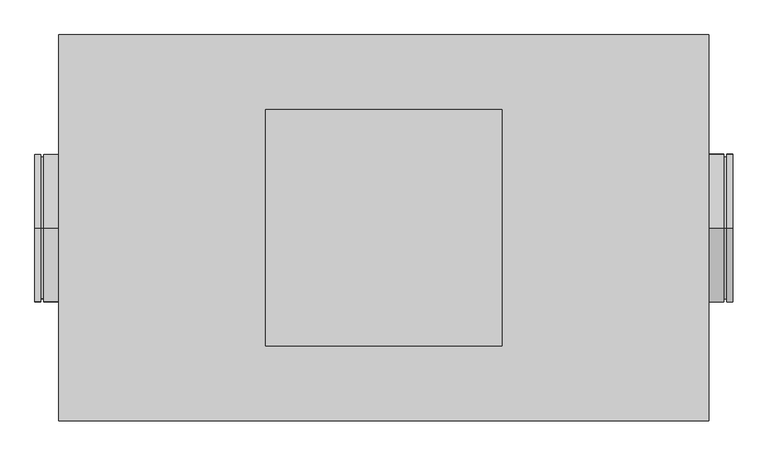
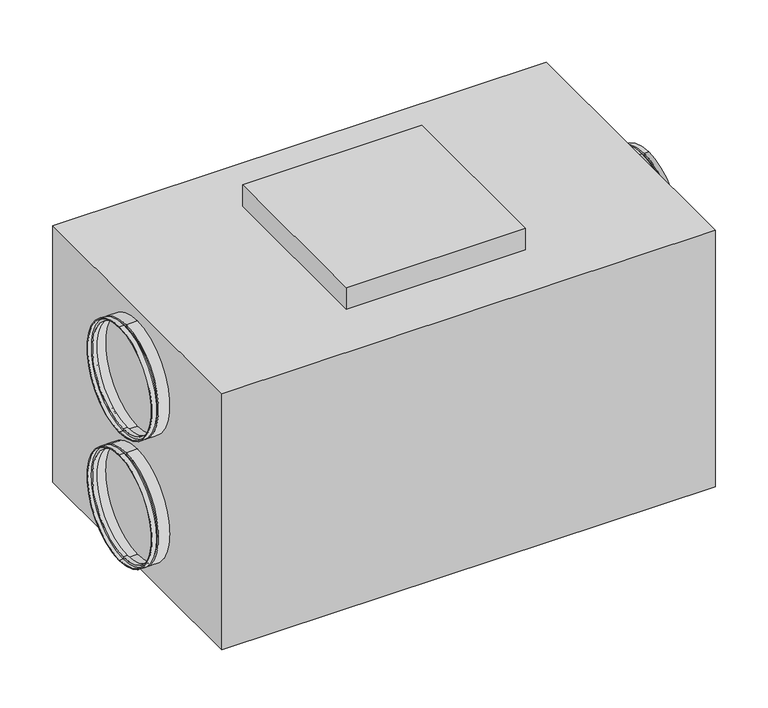
"""IFC4 building model written with IfcOpenShell, lengths in millimetres: proxy geometry."""

from ifc_helpers import new_model, si_unit, frame, origin, place, context, project, spatial, polyline, circle_curve, outline, extrude, source, transform, mapped, element, save
from ifc_brep_helpers import plane_surface, cylinder_surface, revolved_surface, advanced_brep


def mechanical_equipment_8fbb1ea7(model_context):
    return source(origin(), model_context, "Body", "SolidModel", [
        extrude(outline(polyline([(200.0, 200.0), (200.0, -200.0), (-200.0, -200.0), (-200.0, 200.0), (200.0, 200.0)])), frame((0.0, 0.0, 644.0), z_axis=(0.0, 0.0, 1.0), x_axis=(1.0, 0.0, 0.0)), (0.0, 0.0, 1.0), 51.0),
        advanced_brep(
        [(580.0, 0.0, 66.0), (580.0, 0.0, 316.0), (590.0, 0.0, 316.0), (590.0, 0.0, 66.0), (580.0, 0.0, 71.0), (580.0, 0.0, 311.0), (575.0, 0.0, 71.0), (575.0, 0.0, 311.0), (575.0, 0.0, 66.0), (575.0, 0.0, 316.0), (550.0, 0.0, 66.0), (550.0, 0.0, 316.0), (550.0, 0.0, 68.0), (550.0, 0.0, 314.0), (573.0, 0.0, 68.0), (573.0, 0.0, 314.0), (573.0, 0.0, 73.0), (573.0, 0.0, 309.0), (582.0, 0.0, 73.0), (582.0, 0.0, 309.0), (582.0, 0.0, 68.0), (582.0, 0.0, 314.0), (590.0, 0.0, 68.0), (590.0, 0.0, 314.0)],
        [
            (0, 1, circle_curve(frame((580.0, 0.0, 191.0), z_axis=(1.0, 0.0, 0.0), x_axis=(0.0, 0.0, 1.0)), 125.0)),
            (1, 2),
            (2, 3, circle_curve(frame((590.0, 0.0, 191.0), z_axis=(-1.0, 0.0, 0.0), x_axis=(0.0, 0.0, 1.0)), 125.0)),
            (3, 0),
            (1, 0, circle_curve(frame((580.0, 0.0, 191.0), z_axis=(1.0, 0.0, 0.0), x_axis=(0.0, 0.0, 1.0)), 125.0)),
            (3, 2, circle_curve(frame((590.0, 0.0, 191.0), z_axis=(-1.0, 0.0, 0.0), x_axis=(0.0, 0.0, 1.0)), 125.0)),
            (4, 5, circle_curve(frame((580.0, 0.0, 191.0), z_axis=(1.0, 0.0, 0.0), x_axis=(0.0, 0.0, 1.0)), 120.0)),
            (5, 1),
            (0, 4),
            (5, 4, circle_curve(frame((580.0, 0.0, 191.0), z_axis=(1.0, 0.0, 0.0), x_axis=(0.0, 0.0, 1.0)), 120.0)),
            (6, 7, circle_curve(frame((575.0, 0.0, 191.0), z_axis=(1.0, 0.0, 0.0), x_axis=(0.0, 0.0, 1.0)), 120.0)),
            (7, 5),
            (4, 6),
            (7, 6, circle_curve(frame((575.0, 0.0, 191.0), z_axis=(1.0, 0.0, 0.0), x_axis=(0.0, 0.0, 1.0)), 120.0)),
            (8, 9, circle_curve(frame((575.0, 0.0, 191.0), z_axis=(1.0, 0.0, 0.0), x_axis=(0.0, 0.0, 1.0)), 125.0)),
            (9, 7),
            (6, 8),
            (9, 8, circle_curve(frame((575.0, 0.0, 191.0), z_axis=(1.0, 0.0, 0.0), x_axis=(0.0, 0.0, 1.0)), 125.0)),
            (10, 11, circle_curve(frame((550.0, 0.0, 191.0), z_axis=(1.0, 0.0, 0.0), x_axis=(0.0, 0.0, 1.0)), 125.0)),
            (11, 9),
            (8, 10),
            (11, 10, circle_curve(frame((550.0, 0.0, 191.0), z_axis=(1.0, 0.0, 0.0), x_axis=(0.0, 0.0, 1.0)), 125.0)),
            (12, 13, circle_curve(frame((550.0, 0.0, 191.0), z_axis=(1.0, 0.0, 0.0), x_axis=(0.0, 0.0, 1.0)), 123.0)),
            (13, 11),
            (10, 12),
            (13, 12, circle_curve(frame((550.0, 0.0, 191.0), z_axis=(1.0, 0.0, 0.0), x_axis=(0.0, 0.0, 1.0)), 123.0)),
            (14, 15, circle_curve(frame((573.0, 0.0, 191.0), z_axis=(1.0, 0.0, 0.0), x_axis=(0.0, 0.0, 1.0)), 123.0)),
            (15, 13),
            (12, 14),
            (15, 14, circle_curve(frame((573.0, 0.0, 191.0), z_axis=(1.0, 0.0, 0.0), x_axis=(0.0, 0.0, 1.0)), 123.0)),
            (16, 17, circle_curve(frame((573.0, 0.0, 191.0), z_axis=(1.0, 0.0, 0.0), x_axis=(0.0, 0.0, 1.0)), 118.0)),
            (17, 15),
            (14, 16),
            (17, 16, circle_curve(frame((573.0, 0.0, 191.0), z_axis=(1.0, 0.0, 0.0), x_axis=(0.0, 0.0, 1.0)), 118.0)),
            (18, 19, circle_curve(frame((582.0, 0.0, 191.0), z_axis=(1.0, 0.0, 0.0), x_axis=(0.0, 0.0, 1.0)), 118.0)),
            (19, 17),
            (16, 18),
            (19, 18, circle_curve(frame((582.0, 0.0, 191.0), z_axis=(1.0, 0.0, 0.0), x_axis=(0.0, 0.0, 1.0)), 118.0)),
            (20, 21, circle_curve(frame((582.0, 0.0, 191.0), z_axis=(1.0, 0.0, 0.0), x_axis=(0.0, 0.0, 1.0)), 123.0)),
            (21, 19),
            (18, 20),
            (21, 20, circle_curve(frame((582.0, 0.0, 191.0), z_axis=(1.0, 0.0, 0.0), x_axis=(0.0, 0.0, 1.0)), 123.0)),
            (22, 23, circle_curve(frame((590.0, 0.0, 191.0), z_axis=(1.0, 0.0, 0.0), x_axis=(0.0, 0.0, 1.0)), 123.0)),
            (23, 21),
            (20, 22),
            (23, 22, circle_curve(frame((590.0, 0.0, 191.0), z_axis=(1.0, 0.0, 0.0), x_axis=(0.0, 0.0, 1.0)), 123.0)),
            (2, 23),
            (22, 3),
        ],
        [
            cylinder_surface(frame((2125.0440172, 0.0, 191.0), z_axis=(-1.0, 0.0, 0.0), x_axis=(0.0, 0.0, 1.0)), 125.0),
            plane_surface(frame((580.0, 0.0, 191.0), z_axis=(-1.0, 0.0, 0.0), x_axis=(0.0, 0.0, 1.0))),
            cylinder_surface(frame((2125.0440172, 0.0, 191.0), z_axis=(-1.0, 0.0, 0.0), x_axis=(0.0, 0.0, 1.0)), 120.0),
            plane_surface(frame((575.0, 0.0, 191.0), z_axis=(1.0, 0.0, 0.0), x_axis=(0.0, 0.0, 1.0))),
            plane_surface(frame((550.0, 0.0, 191.0), z_axis=(-1.0, 0.0, 0.0), x_axis=(0.0, 0.0, 1.0))),
            revolved_surface(polyline([(550.0, 0.0, 314.0), (573.0, 0.0, 314.0)]), (2125.0440172, 0.0, 191.0), (-1.0, 0.0, 0.0)),
            plane_surface(frame((573.0, 0.0, 191.0), z_axis=(-1.0, 0.0, 0.0), x_axis=(0.0, 0.0, 1.0))),
            revolved_surface(polyline([(573.0, 0.0, 309.0), (582.0, 0.0, 309.0)]), (2125.0440172, 0.0, 191.0), (-1.0, 0.0, 0.0)),
            plane_surface(frame((582.0, 0.0, 191.0), z_axis=(1.0, 0.0, 0.0), x_axis=(0.0, 0.0, 1.0))),
            revolved_surface(polyline([(582.0, 0.0, 314.0), (590.0, 0.0, 314.0)]), (2125.0440172, 0.0, 191.0), (-1.0, 0.0, 0.0)),
            plane_surface(frame((590.0, 0.0, 191.0), z_axis=(1.0, 0.0, 0.0), x_axis=(0.0, 0.0, 1.0))),
        ],
        [
            (0, [[1, 2, 3, 4]]),
            (0, [[5, -4, 6, -2]]),
            (1, [[7, 8, -1, 9]]),
            (1, [[10, -9, -5, -8]]),
            (2, [[11, 12, -7, 13]]),
            (2, [[14, -13, -10, -12]]),
            (3, [[15, 16, -11, 17]]),
            (3, [[18, -17, -14, -16]]),
            (0, [[19, 20, -15, 21]]),
            (0, [[22, -21, -18, -20]]),
            (4, [[23, 24, -19, 25]]),
            (4, [[26, -25, -22, -24]]),
            (5, [[27, 28, -23, 29]]),
            (5, [[30, -29, -26, -28]]),
            (6, [[31, 32, -27, 33]]),
            (6, [[34, -33, -30, -32]]),
            (7, [[35, 36, -31, 37]]),
            (7, [[38, -37, -34, -36]]),
            (8, [[39, 40, -35, 41]]),
            (8, [[42, -41, -38, -40]]),
            (9, [[43, 44, -39, 45]]),
            (9, [[46, -45, -42, -44]]),
            (10, [[-3, 47, -43, 48]]),
            (10, [[-6, -48, -46, -47]]),
        ],
    ),
        advanced_brep(
        [(580.0, 0.0, 368.0), (580.0, 0.0, 618.0), (590.0, 0.0, 618.0), (590.0, 0.0, 368.0), (580.0, 0.0, 373.0), (580.0, 0.0, 613.0), (575.0, 0.0, 373.0), (575.0, 0.0, 613.0), (575.0, 0.0, 368.0), (575.0, 0.0, 618.0), (550.0, 0.0, 368.0), (550.0, 0.0, 618.0), (550.0, 0.0, 370.0), (550.0, 0.0, 616.0), (573.0, 0.0, 370.0), (573.0, 0.0, 616.0), (573.0, 0.0, 375.0), (573.0, 0.0, 611.0), (582.0, 0.0, 375.0), (582.0, 0.0, 611.0), (582.0, 0.0, 370.0), (582.0, 0.0, 616.0), (590.0, 0.0, 370.0), (590.0, 0.0, 616.0)],
        [
            (0, 1, circle_curve(frame((580.0, 0.0, 493.0), z_axis=(1.0, 0.0, 0.0), x_axis=(0.0, 0.0, 1.0)), 125.0)),
            (1, 2),
            (2, 3, circle_curve(frame((590.0, 0.0, 493.0), z_axis=(-1.0, 0.0, 0.0), x_axis=(0.0, 0.0, 1.0)), 125.0)),
            (3, 0),
            (1, 0, circle_curve(frame((580.0, 0.0, 493.0), z_axis=(1.0, 0.0, 0.0), x_axis=(0.0, 0.0, 1.0)), 125.0)),
            (3, 2, circle_curve(frame((590.0, 0.0, 493.0), z_axis=(-1.0, 0.0, 0.0), x_axis=(0.0, 0.0, 1.0)), 125.0)),
            (4, 5, circle_curve(frame((580.0, 0.0, 493.0), z_axis=(1.0, 0.0, 0.0), x_axis=(0.0, 0.0, 1.0)), 120.0)),
            (5, 1),
            (0, 4),
            (5, 4, circle_curve(frame((580.0, 0.0, 493.0), z_axis=(1.0, 0.0, 0.0), x_axis=(0.0, 0.0, 1.0)), 120.0)),
            (6, 7, circle_curve(frame((575.0, 0.0, 493.0), z_axis=(1.0, 0.0, 0.0), x_axis=(0.0, 0.0, 1.0)), 120.0)),
            (7, 5),
            (4, 6),
            (7, 6, circle_curve(frame((575.0, 0.0, 493.0), z_axis=(1.0, 0.0, 0.0), x_axis=(0.0, 0.0, 1.0)), 120.0)),
            (8, 9, circle_curve(frame((575.0, 0.0, 493.0), z_axis=(1.0, 0.0, 0.0), x_axis=(0.0, 0.0, 1.0)), 125.0)),
            (9, 7),
            (6, 8),
            (9, 8, circle_curve(frame((575.0, 0.0, 493.0), z_axis=(1.0, 0.0, 0.0), x_axis=(0.0, 0.0, 1.0)), 125.0)),
            (10, 11, circle_curve(frame((550.0, 0.0, 493.0), z_axis=(1.0, 0.0, 0.0), x_axis=(0.0, 0.0, 1.0)), 125.0)),
            (11, 9),
            (8, 10),
            (11, 10, circle_curve(frame((550.0, 0.0, 493.0), z_axis=(1.0, 0.0, 0.0), x_axis=(0.0, 0.0, 1.0)), 125.0)),
            (12, 13, circle_curve(frame((550.0, 0.0, 493.0), z_axis=(1.0, 0.0, 0.0), x_axis=(0.0, 0.0, 1.0)), 123.0)),
            (13, 11),
            (10, 12),
            (13, 12, circle_curve(frame((550.0, 0.0, 493.0), z_axis=(1.0, 0.0, 0.0), x_axis=(0.0, 0.0, 1.0)), 123.0)),
            (14, 15, circle_curve(frame((573.0, 0.0, 493.0), z_axis=(1.0, 0.0, 0.0), x_axis=(0.0, 0.0, 1.0)), 123.0)),
            (15, 13),
            (12, 14),
            (15, 14, circle_curve(frame((573.0, 0.0, 493.0), z_axis=(1.0, 0.0, 0.0), x_axis=(0.0, 0.0, 1.0)), 123.0)),
            (16, 17, circle_curve(frame((573.0, 0.0, 493.0), z_axis=(1.0, 0.0, 0.0), x_axis=(0.0, 0.0, 1.0)), 118.0)),
            (17, 15),
            (14, 16),
            (17, 16, circle_curve(frame((573.0, 0.0, 493.0), z_axis=(1.0, 0.0, 0.0), x_axis=(0.0, 0.0, 1.0)), 118.0)),
            (18, 19, circle_curve(frame((582.0, 0.0, 493.0), z_axis=(1.0, 0.0, 0.0), x_axis=(0.0, 0.0, 1.0)), 118.0)),
            (19, 17),
            (16, 18),
            (19, 18, circle_curve(frame((582.0, 0.0, 493.0), z_axis=(1.0, 0.0, 0.0), x_axis=(0.0, 0.0, 1.0)), 118.0)),
            (20, 21, circle_curve(frame((582.0, 0.0, 493.0), z_axis=(1.0, 0.0, 0.0), x_axis=(0.0, 0.0, 1.0)), 123.0)),
            (21, 19),
            (18, 20),
            (21, 20, circle_curve(frame((582.0, 0.0, 493.0), z_axis=(1.0, 0.0, 0.0), x_axis=(0.0, 0.0, 1.0)), 123.0)),
            (22, 23, circle_curve(frame((590.0, 0.0, 493.0), z_axis=(1.0, 0.0, 0.0), x_axis=(0.0, 0.0, 1.0)), 123.0)),
            (23, 21),
            (20, 22),
            (23, 22, circle_curve(frame((590.0, 0.0, 493.0), z_axis=(1.0, 0.0, 0.0), x_axis=(0.0, 0.0, 1.0)), 123.0)),
            (2, 23),
            (22, 3),
        ],
        [
            cylinder_surface(frame((2125.0440172, 0.0, 493.0), z_axis=(-1.0, 0.0, 0.0), x_axis=(0.0, 0.0, 1.0)), 125.0),
            plane_surface(frame((580.0, 0.0, 493.0), z_axis=(-1.0, 0.0, 0.0), x_axis=(0.0, 0.0, 1.0))),
            cylinder_surface(frame((2125.0440172, 0.0, 493.0), z_axis=(-1.0, 0.0, 0.0), x_axis=(0.0, 0.0, 1.0)), 120.0),
            plane_surface(frame((575.0, 0.0, 493.0), z_axis=(1.0, 0.0, 0.0), x_axis=(0.0, 0.0, 1.0))),
            plane_surface(frame((550.0, 0.0, 493.0), z_axis=(-1.0, 0.0, 0.0), x_axis=(0.0, 0.0, 1.0))),
            revolved_surface(polyline([(550.0, 0.0, 616.0), (573.0, 0.0, 616.0)]), (2125.0440172, 0.0, 493.0), (-1.0, 0.0, 0.0)),
            plane_surface(frame((573.0, 0.0, 493.0), z_axis=(-1.0, 0.0, 0.0), x_axis=(0.0, 0.0, 1.0))),
            revolved_surface(polyline([(573.0, 0.0, 611.0), (582.0, 0.0, 611.0)]), (2125.0440172, 0.0, 493.0), (-1.0, 0.0, 0.0)),
            plane_surface(frame((582.0, 0.0, 493.0), z_axis=(1.0, 0.0, 0.0), x_axis=(0.0, 0.0, 1.0))),
            revolved_surface(polyline([(582.0, 0.0, 616.0), (590.0, 0.0, 616.0)]), (2125.0440172, 0.0, 493.0), (-1.0, 0.0, 0.0)),
            plane_surface(frame((590.0, 0.0, 493.0), z_axis=(1.0, 0.0, 0.0), x_axis=(0.0, 0.0, 1.0))),
        ],
        [
            (0, [[1, 2, 3, 4]]),
            (0, [[5, -4, 6, -2]]),
            (1, [[7, 8, -1, 9]]),
            (1, [[10, -9, -5, -8]]),
            (2, [[11, 12, -7, 13]]),
            (2, [[14, -13, -10, -12]]),
            (3, [[15, 16, -11, 17]]),
            (3, [[18, -17, -14, -16]]),
            (0, [[19, 20, -15, 21]]),
            (0, [[22, -21, -18, -20]]),
            (4, [[23, 24, -19, 25]]),
            (4, [[26, -25, -22, -24]]),
            (5, [[27, 28, -23, 29]]),
            (5, [[30, -29, -26, -28]]),
            (6, [[31, 32, -27, 33]]),
            (6, [[34, -33, -30, -32]]),
            (7, [[35, 36, -31, 37]]),
            (7, [[38, -37, -34, -36]]),
            (8, [[39, 40, -35, 41]]),
            (8, [[42, -41, -38, -40]]),
            (9, [[43, 44, -39, 45]]),
            (9, [[46, -45, -42, -44]]),
            (10, [[-3, 47, -43, 48]]),
            (10, [[-6, -48, -46, -47]]),
        ],
    ),
        advanced_brep(
        [(-580.0, 0.0, 618.0), (-580.0, 0.0, 368.0), (-590.0, 0.0, 368.0), (-590.0, 0.0, 618.0), (-580.0, 0.0, 613.0), (-580.0, 0.0, 373.0), (-575.0, 0.0, 613.0), (-575.0, 0.0, 373.0), (-575.0, 0.0, 618.0), (-575.0, 0.0, 368.0), (-550.0, 0.0, 618.0), (-550.0, 0.0, 368.0), (-550.0, 0.0, 616.0), (-550.0, 0.0, 370.0), (-573.0, 0.0, 616.0), (-573.0, 0.0, 370.0), (-573.0, 0.0, 611.0), (-573.0, 0.0, 375.0), (-582.0, 0.0, 611.0), (-582.0, 0.0, 375.0), (-582.0, 0.0, 616.0), (-582.0, 0.0, 370.0), (-590.0, 0.0, 616.0), (-590.0, 0.0, 370.0)],
        [
            (0, 1, circle_curve(frame((-580.0, 0.0, 493.0), z_axis=(-1.0, 0.0, 0.0), x_axis=(0.0, 0.0, -1.0)), 125.0)),
            (1, 2),
            (2, 3, circle_curve(frame((-590.0, 0.0, 493.0), z_axis=(1.0, 0.0, 0.0), x_axis=(0.0, 0.0, -1.0)), 125.0)),
            (3, 0),
            (1, 0, circle_curve(frame((-580.0, 0.0, 493.0), z_axis=(-1.0, 0.0, 0.0), x_axis=(0.0, 0.0, -1.0)), 125.0)),
            (3, 2, circle_curve(frame((-590.0, 0.0, 493.0), z_axis=(1.0, 0.0, 0.0), x_axis=(0.0, 0.0, -1.0)), 125.0)),
            (4, 5, circle_curve(frame((-580.0, 0.0, 493.0), z_axis=(-1.0, 0.0, 0.0), x_axis=(0.0, 0.0, -1.0)), 120.0)),
            (5, 1),
            (0, 4),
            (5, 4, circle_curve(frame((-580.0, 0.0, 493.0), z_axis=(-1.0, 0.0, 0.0), x_axis=(0.0, 0.0, -1.0)), 120.0)),
            (6, 7, circle_curve(frame((-575.0, 0.0, 493.0), z_axis=(-1.0, 0.0, 0.0), x_axis=(0.0, 0.0, -1.0)), 120.0)),
            (7, 5),
            (4, 6),
            (7, 6, circle_curve(frame((-575.0, 0.0, 493.0), z_axis=(-1.0, 0.0, 0.0), x_axis=(0.0, 0.0, -1.0)), 120.0)),
            (8, 9, circle_curve(frame((-575.0, 0.0, 493.0), z_axis=(-1.0, 0.0, 0.0), x_axis=(0.0, 0.0, -1.0)), 125.0)),
            (9, 7),
            (6, 8),
            (9, 8, circle_curve(frame((-575.0, 0.0, 493.0), z_axis=(-1.0, 0.0, 0.0), x_axis=(0.0, 0.0, -1.0)), 125.0)),
            (10, 11, circle_curve(frame((-550.0, 0.0, 493.0), z_axis=(-1.0, 0.0, 0.0), x_axis=(0.0, 0.0, -1.0)), 125.0)),
            (11, 9),
            (8, 10),
            (11, 10, circle_curve(frame((-550.0, 0.0, 493.0), z_axis=(-1.0, 0.0, 0.0), x_axis=(0.0, 0.0, -1.0)), 125.0)),
            (12, 13, circle_curve(frame((-550.0, 0.0, 493.0), z_axis=(-1.0, 0.0, 0.0), x_axis=(0.0, 0.0, -1.0)), 123.0)),
            (13, 11),
            (10, 12),
            (13, 12, circle_curve(frame((-550.0, 0.0, 493.0), z_axis=(-1.0, 0.0, 0.0), x_axis=(0.0, 0.0, -1.0)), 123.0)),
            (14, 15, circle_curve(frame((-573.0, 0.0, 493.0), z_axis=(-1.0, 0.0, 0.0), x_axis=(0.0, 0.0, -1.0)), 123.0)),
            (15, 13),
            (12, 14),
            (15, 14, circle_curve(frame((-573.0, 0.0, 493.0), z_axis=(-1.0, 0.0, 0.0), x_axis=(0.0, 0.0, -1.0)), 123.0)),
            (16, 17, circle_curve(frame((-573.0, 0.0, 493.0), z_axis=(-1.0, 0.0, 0.0), x_axis=(0.0, 0.0, -1.0)), 118.0)),
            (17, 15),
            (14, 16),
            (17, 16, circle_curve(frame((-573.0, 0.0, 493.0), z_axis=(-1.0, 0.0, 0.0), x_axis=(0.0, 0.0, -1.0)), 118.0)),
            (18, 19, circle_curve(frame((-582.0, 0.0, 493.0), z_axis=(-1.0, 0.0, 0.0), x_axis=(0.0, 0.0, -1.0)), 118.0)),
            (19, 17),
            (16, 18),
            (19, 18, circle_curve(frame((-582.0, 0.0, 493.0), z_axis=(-1.0, 0.0, 0.0), x_axis=(0.0, 0.0, -1.0)), 118.0)),
            (20, 21, circle_curve(frame((-582.0, 0.0, 493.0), z_axis=(-1.0, 0.0, 0.0), x_axis=(0.0, 0.0, -1.0)), 123.0)),
            (21, 19),
            (18, 20),
            (21, 20, circle_curve(frame((-582.0, 0.0, 493.0), z_axis=(-1.0, 0.0, 0.0), x_axis=(0.0, 0.0, -1.0)), 123.0)),
            (22, 23, circle_curve(frame((-590.0, 0.0, 493.0), z_axis=(-1.0, 0.0, 0.0), x_axis=(0.0, 0.0, -1.0)), 123.0)),
            (23, 21),
            (20, 22),
            (23, 22, circle_curve(frame((-590.0, 0.0, 493.0), z_axis=(-1.0, 0.0, 0.0), x_axis=(0.0, 0.0, -1.0)), 123.0)),
            (2, 23),
            (22, 3),
        ],
        [
            cylinder_surface(frame((-2125.0440172, 0.0, 493.0), z_axis=(1.0, 0.0, 0.0), x_axis=(0.0, 0.0, -1.0)), 125.0),
            plane_surface(frame((-580.0, 0.0, 493.0), z_axis=(1.0, 0.0, 0.0), x_axis=(0.0, 0.0, -1.0))),
            cylinder_surface(frame((-2125.0440172, 0.0, 493.0), z_axis=(1.0, 0.0, 0.0), x_axis=(0.0, 0.0, -1.0)), 120.0),
            plane_surface(frame((-575.0, 0.0, 493.0), z_axis=(-1.0, 0.0, 0.0), x_axis=(0.0, 0.0, -1.0))),
            plane_surface(frame((-550.0, 0.0, 493.0), z_axis=(1.0, 0.0, 0.0), x_axis=(0.0, 0.0, -1.0))),
            revolved_surface(polyline([(-550.0, 0.0, 370.0), (-573.0, 0.0, 370.0)]), (-2125.0440172, 0.0, 493.0), (1.0, 0.0, 0.0)),
            plane_surface(frame((-573.0, 0.0, 493.0), z_axis=(1.0, 0.0, 0.0), x_axis=(0.0, 0.0, -1.0))),
            revolved_surface(polyline([(-573.0, 0.0, 375.0), (-582.0, 0.0, 375.0)]), (-2125.0440172, 0.0, 493.0), (1.0, 0.0, 0.0)),
            plane_surface(frame((-582.0, 0.0, 493.0), z_axis=(-1.0, 0.0, 0.0), x_axis=(0.0, 0.0, -1.0))),
            revolved_surface(polyline([(-582.0, 0.0, 370.0), (-590.0, 0.0, 370.0)]), (-2125.0440172, 0.0, 493.0), (1.0, 0.0, 0.0)),
            plane_surface(frame((-590.0, 0.0, 493.0), z_axis=(-1.0, 0.0, 0.0), x_axis=(0.0, 0.0, -1.0))),
        ],
        [
            (0, [[1, 2, 3, 4]]),
            (0, [[5, -4, 6, -2]]),
            (1, [[7, 8, -1, 9]]),
            (1, [[10, -9, -5, -8]]),
            (2, [[11, 12, -7, 13]]),
            (2, [[14, -13, -10, -12]]),
            (3, [[15, 16, -11, 17]]),
            (3, [[18, -17, -14, -16]]),
            (0, [[19, 20, -15, 21]]),
            (0, [[22, -21, -18, -20]]),
            (4, [[23, 24, -19, 25]]),
            (4, [[26, -25, -22, -24]]),
            (5, [[27, 28, -23, 29]]),
            (5, [[30, -29, -26, -28]]),
            (6, [[31, 32, -27, 33]]),
            (6, [[34, -33, -30, -32]]),
            (7, [[35, 36, -31, 37]]),
            (7, [[38, -37, -34, -36]]),
            (8, [[39, 40, -35, 41]]),
            (8, [[42, -41, -38, -40]]),
            (9, [[43, 44, -39, 45]]),
            (9, [[46, -45, -42, -44]]),
            (10, [[-3, 47, -43, 48]]),
            (10, [[-6, -48, -46, -47]]),
        ],
    ),
        advanced_brep(
        [(-580.0, 0.0, 316.0), (-580.0, 0.0, 66.0), (-590.0, 0.0, 66.0), (-590.0, 0.0, 316.0), (-580.0, 0.0, 311.0), (-580.0, 0.0, 71.0), (-575.0, 0.0, 311.0), (-575.0, 0.0, 71.0), (-575.0, 0.0, 316.0), (-575.0, 0.0, 66.0), (-550.0, 0.0, 316.0), (-550.0, 0.0, 66.0), (-550.0, 0.0, 314.0), (-550.0, 0.0, 68.0), (-573.0, 0.0, 314.0), (-573.0, 0.0, 68.0), (-573.0, 0.0, 309.0), (-573.0, 0.0, 73.0), (-582.0, 0.0, 309.0), (-582.0, 0.0, 73.0), (-582.0, 0.0, 314.0), (-582.0, 0.0, 68.0), (-590.0, 0.0, 314.0), (-590.0, 0.0, 68.0)],
        [
            (0, 1, circle_curve(frame((-580.0, 0.0, 191.0), z_axis=(-1.0, 0.0, 0.0), x_axis=(0.0, 0.0, -1.0)), 125.0)),
            (1, 2),
            (2, 3, circle_curve(frame((-590.0, 0.0, 191.0), z_axis=(1.0, 0.0, 0.0), x_axis=(0.0, 0.0, -1.0)), 125.0)),
            (3, 0),
            (1, 0, circle_curve(frame((-580.0, 0.0, 191.0), z_axis=(-1.0, 0.0, 0.0), x_axis=(0.0, 0.0, -1.0)), 125.0)),
            (3, 2, circle_curve(frame((-590.0, 0.0, 191.0), z_axis=(1.0, 0.0, 0.0), x_axis=(0.0, 0.0, -1.0)), 125.0)),
            (4, 5, circle_curve(frame((-580.0, 0.0, 191.0), z_axis=(-1.0, 0.0, 0.0), x_axis=(0.0, 0.0, -1.0)), 120.0)),
            (5, 1),
            (0, 4),
            (5, 4, circle_curve(frame((-580.0, 0.0, 191.0), z_axis=(-1.0, 0.0, 0.0), x_axis=(0.0, 0.0, -1.0)), 120.0)),
            (6, 7, circle_curve(frame((-575.0, 0.0, 191.0), z_axis=(-1.0, 0.0, 0.0), x_axis=(0.0, 0.0, -1.0)), 120.0)),
            (7, 5),
            (4, 6),
            (7, 6, circle_curve(frame((-575.0, 0.0, 191.0), z_axis=(-1.0, 0.0, 0.0), x_axis=(0.0, 0.0, -1.0)), 120.0)),
            (8, 9, circle_curve(frame((-575.0, 0.0, 191.0), z_axis=(-1.0, 0.0, 0.0), x_axis=(0.0, 0.0, -1.0)), 125.0)),
            (9, 7),
            (6, 8),
            (9, 8, circle_curve(frame((-575.0, 0.0, 191.0), z_axis=(-1.0, 0.0, 0.0), x_axis=(0.0, 0.0, -1.0)), 125.0)),
            (10, 11, circle_curve(frame((-550.0, 0.0, 191.0), z_axis=(-1.0, 0.0, 0.0), x_axis=(0.0, 0.0, -1.0)), 125.0)),
            (11, 9),
            (8, 10),
            (11, 10, circle_curve(frame((-550.0, 0.0, 191.0), z_axis=(-1.0, 0.0, 0.0), x_axis=(0.0, 0.0, -1.0)), 125.0)),
            (12, 13, circle_curve(frame((-550.0, 0.0, 191.0), z_axis=(-1.0, 0.0, 0.0), x_axis=(0.0, 0.0, -1.0)), 123.0)),
            (13, 11),
            (10, 12),
            (13, 12, circle_curve(frame((-550.0, 0.0, 191.0), z_axis=(-1.0, 0.0, 0.0), x_axis=(0.0, 0.0, -1.0)), 123.0)),
            (14, 15, circle_curve(frame((-573.0, 0.0, 191.0), z_axis=(-1.0, 0.0, 0.0), x_axis=(0.0, 0.0, -1.0)), 123.0)),
            (15, 13),
            (12, 14),
            (15, 14, circle_curve(frame((-573.0, 0.0, 191.0), z_axis=(-1.0, 0.0, 0.0), x_axis=(0.0, 0.0, -1.0)), 123.0)),
            (16, 17, circle_curve(frame((-573.0, 0.0, 191.0), z_axis=(-1.0, 0.0, 0.0), x_axis=(0.0, 0.0, -1.0)), 118.0)),
            (17, 15),
            (14, 16),
            (17, 16, circle_curve(frame((-573.0, 0.0, 191.0), z_axis=(-1.0, 0.0, 0.0), x_axis=(0.0, 0.0, -1.0)), 118.0)),
            (18, 19, circle_curve(frame((-582.0, 0.0, 191.0), z_axis=(-1.0, 0.0, 0.0), x_axis=(0.0, 0.0, -1.0)), 118.0)),
            (19, 17),
            (16, 18),
            (19, 18, circle_curve(frame((-582.0, 0.0, 191.0), z_axis=(-1.0, 0.0, 0.0), x_axis=(0.0, 0.0, -1.0)), 118.0)),
            (20, 21, circle_curve(frame((-582.0, 0.0, 191.0), z_axis=(-1.0, 0.0, 0.0), x_axis=(0.0, 0.0, -1.0)), 123.0)),
            (21, 19),
            (18, 20),
            (21, 20, circle_curve(frame((-582.0, 0.0, 191.0), z_axis=(-1.0, 0.0, 0.0), x_axis=(0.0, 0.0, -1.0)), 123.0)),
            (22, 23, circle_curve(frame((-590.0, 0.0, 191.0), z_axis=(-1.0, 0.0, 0.0), x_axis=(0.0, 0.0, -1.0)), 123.0)),
            (23, 21),
            (20, 22),
            (23, 22, circle_curve(frame((-590.0, 0.0, 191.0), z_axis=(-1.0, 0.0, 0.0), x_axis=(0.0, 0.0, -1.0)), 123.0)),
            (2, 23),
            (22, 3),
        ],
        [
            cylinder_surface(frame((-2125.0440172, 0.0, 191.0), z_axis=(1.0, 0.0, 0.0), x_axis=(0.0, 0.0, -1.0)), 125.0),
            plane_surface(frame((-580.0, 0.0, 191.0), z_axis=(1.0, 0.0, 0.0), x_axis=(0.0, 0.0, -1.0))),
            cylinder_surface(frame((-2125.0440172, 0.0, 191.0), z_axis=(1.0, 0.0, 0.0), x_axis=(0.0, 0.0, -1.0)), 120.0),
            plane_surface(frame((-575.0, 0.0, 191.0), z_axis=(-1.0, 0.0, 0.0), x_axis=(0.0, 0.0, -1.0))),
            plane_surface(frame((-550.0, 0.0, 191.0), z_axis=(1.0, 0.0, 0.0), x_axis=(0.0, 0.0, -1.0))),
            revolved_surface(polyline([(-550.0, 0.0, 68.0), (-573.0, 0.0, 68.0)]), (-2125.0440172, 0.0, 191.0), (1.0, 0.0, 0.0)),
            plane_surface(frame((-573.0, 0.0, 191.0), z_axis=(1.0, 0.0, 0.0), x_axis=(0.0, 0.0, -1.0))),
            revolved_surface(polyline([(-573.0, 0.0, 73.0), (-582.0, 0.0, 73.0)]), (-2125.0440172, 0.0, 191.0), (1.0, 0.0, 0.0)),
            plane_surface(frame((-582.0, 0.0, 191.0), z_axis=(-1.0, 0.0, 0.0), x_axis=(0.0, 0.0, -1.0))),
            revolved_surface(polyline([(-582.0, 0.0, 68.0), (-590.0, 0.0, 68.0)]), (-2125.0440172, 0.0, 191.0), (1.0, 0.0, 0.0)),
            plane_surface(frame((-590.0, 0.0, 191.0), z_axis=(-1.0, 0.0, 0.0), x_axis=(0.0, 0.0, -1.0))),
        ],
        [
            (0, [[1, 2, 3, 4]]),
            (0, [[5, -4, 6, -2]]),
            (1, [[7, 8, -1, 9]]),
            (1, [[10, -9, -5, -8]]),
            (2, [[11, 12, -7, 13]]),
            (2, [[14, -13, -10, -12]]),
            (3, [[15, 16, -11, 17]]),
            (3, [[18, -17, -14, -16]]),
            (0, [[19, 20, -15, 21]]),
            (0, [[22, -21, -18, -20]]),
            (4, [[23, 24, -19, 25]]),
            (4, [[26, -25, -22, -24]]),
            (5, [[27, 28, -23, 29]]),
            (5, [[30, -29, -26, -28]]),
            (6, [[31, 32, -27, 33]]),
            (6, [[34, -33, -30, -32]]),
            (7, [[35, 36, -31, 37]]),
            (7, [[38, -37, -34, -36]]),
            (8, [[39, 40, -35, 41]]),
            (8, [[42, -41, -38, -40]]),
            (9, [[43, 44, -39, 45]]),
            (9, [[46, -45, -42, -44]]),
            (10, [[-3, 47, -43, 48]]),
            (10, [[-6, -48, -46, -47]]),
        ],
    ),
        extrude(outline(polyline([(0.0, 380.0), (40.0, 394.5588094), (40.0, 389.2379205), (5.0, 376.4989623), (5.0, 350.0), (5.0, 323.5010377), (40.0, 310.7620795), (40.0, 305.4411906), (0.0, 320.0), (0.0, 350.0), (0.0, 380.0)])), frame((0.0, -276.5, 0.0), z_axis=(0.0, 1.0, 0.0), x_axis=(0.0, 0.0, 1.0)), (0.0, 0.0, 1.0), 553.0),
        extrude(outline(polyline([(0.0, -320.0), (40.0, -305.4411906), (40.0, -310.7620795), (5.0, -323.5010377), (5.0, -350.0), (5.0, -376.4989623), (40.0, -389.2379205), (40.0, -394.5588094), (0.0, -380.0), (0.0, -350.0), (0.0, -320.0)])), frame((0.0, -276.5, 0.0), z_axis=(0.0, 1.0, 0.0), x_axis=(0.0, 0.0, 1.0)), (0.0, 0.0, 1.0), 553.0),
        extrude(outline(polyline([(-550.0, 326.5), (550.0, 326.5), (550.0, -326.5), (-550.0, -326.5), (-550.0, 326.5)])), frame((0.0, 0.0, 40.0), z_axis=(0.0, 0.0, 1.0), x_axis=(1.0, 0.0, 0.0)), (0.0, 0.0, 1.0), 604.0),
    ])


if __name__ == "__main__":
    model = new_model("IFC4")
    model_context = context("Model", 3, world=origin())
    ifc_project = project(units=[si_unit("LENGTHUNIT", "METRE", prefix="MILLI")], contexts=[model_context])
    site = spatial("IfcSite", under=ifc_project)
    building = spatial("IfcBuilding", under=site)
    placement = place(None, origin())
    mechanical_equipment_shape = mechanical_equipment_8fbb1ea7(model_context)
    element("IfcBuildingElementProxy", 1, Name="Mechanical Equipment", at=placement, inside=building, context=model_context, shape_type="MappedRepresentation", body=[
        mapped(mechanical_equipment_shape, transform((0.0, 0.0, 0.0), x_axis=(1.0, 0.0, 0.0), y_axis=(0.0, 1.0, 0.0), z_axis=(0.0, 0.0, 1.0))),
    ])
    save(model, "model.ifc")
